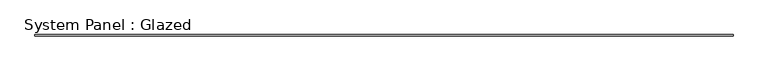
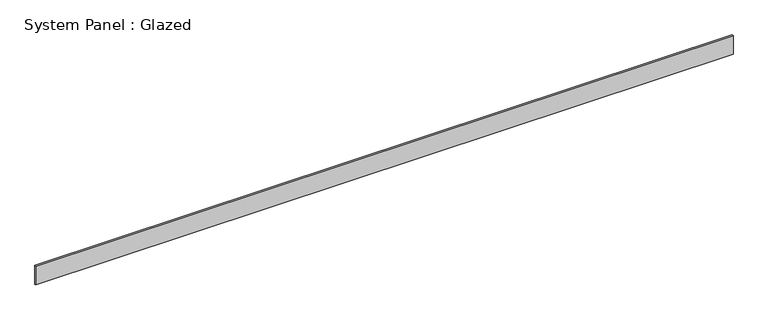
"""IFC4 building model written with IfcOpenShell, lengths in millimetres: plate geometry, System Panel : Glazed."""

from ifc_helpers import new_model, si_unit, origin, origin_with_axes, place, context, project, spatial, polyline, outline, extrude, source, transform, mapped, element, save


def system_panel_glazed_69939f58(model_context):
    return source(origin(), model_context, "Body", "SweptSolid", [
        extrude(outline(polyline([(7026.3108316, 24.5), (-7026.3108316, 24.5), (-7026.3108316, 49.5), (7026.3108316, 49.5), (7026.3108316, 24.5)])), origin_with_axes(), (0.0, 0.0, 1.0), 400.0),
    ])


if __name__ == "__main__":
    model = new_model("IFC4")
    model_context = context("Model", 3, world=origin())
    ifc_project = project(units=[si_unit("LENGTHUNIT", "METRE", prefix="MILLI")], contexts=[model_context])
    site = spatial("IfcSite", under=ifc_project)
    building = spatial("IfcBuilding", under=site)
    placement = place(None, origin())
    system_panel_glazed_shape = system_panel_glazed_69939f58(model_context)
    element("IfcPlate", 1, ObjectType="System Panel : Glazed", at=placement, inside=building, context=model_context, shape_type="MappedRepresentation", body=[
        mapped(system_panel_glazed_shape, transform((0.0, 0.0, 0.0), x_axis=(1.0, 0.0, 0.0), y_axis=(0.0, 1.0, 0.0), z_axis=(0.0, 0.0, 1.0))),
    ])
    save(model, "model.ifc")
